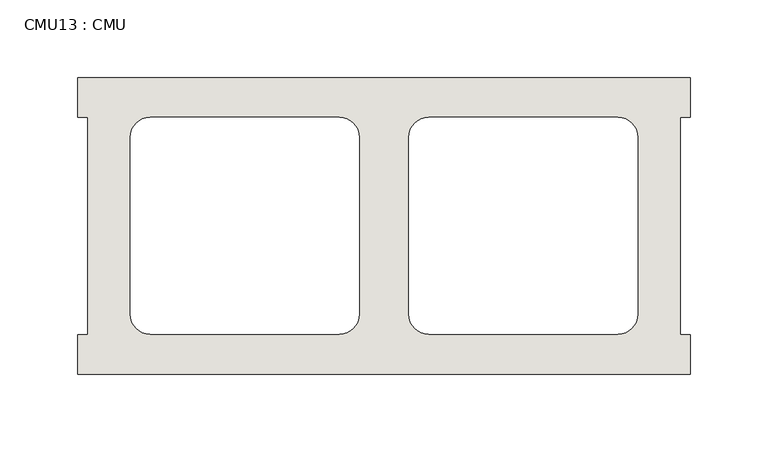
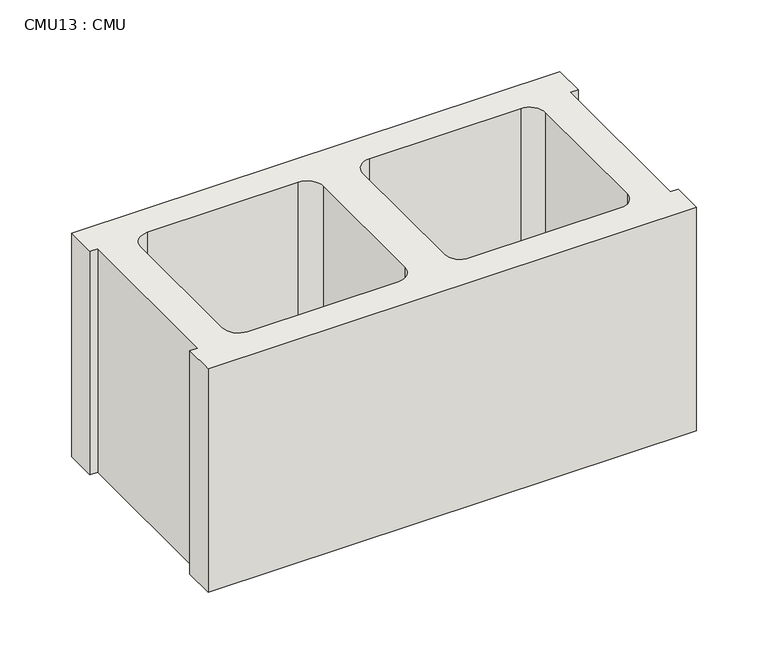
"""IFC4 building model written with IfcOpenShell, lengths in millimetres: wall geometry, CMU13 : CMU."""

from ifc_helpers import new_model, si_unit, point, frame_2d, origin, origin_with_axes, place, context, project, spatial, polyline, circle_curve, trimmed, segment, composite_curve, outline, extrude, source, transform, mapped, element, save


def cmu13_cmu_1fe1b626(model_context):
    return source(origin(), model_context, "Body", "SweptSolid", [
        extrude(outline(polyline([(-1616.5785982, 3347.4652891), (-1222.8785982, 3347.4652891), (-1222.8785982, 3322.0652891), (-1229.2285982, 3322.0652891), (-1229.2285982, 3182.3652891), (-1222.8785982, 3182.3652891), (-1222.8785982, 3156.9652891), (-1616.5785982, 3156.9652891), (-1616.5785982, 3182.3652891), (-1610.2285982, 3182.3652891), (-1610.2285982, 3322.0652891), (-1616.5785982, 3322.0652891), (-1616.5785982, 3347.4652891)]), holes=[composite_curve([segment(polyline([(-1448.4105995, 3322.0652891), (-1570.1272496, 3322.0652891)]), True, "CONTINUOUS"), segment(trimmed(circle_curve(frame_2d((-1570.1272496, 3309.3652891)), 12.7), [point((-1570.1272496, 3322.0652891))], [point((-1582.8272496, 3309.3652891))], True, "CARTESIAN"), True, "CONTINUOUS"), segment(polyline([(-1582.8272496, 3309.3652891), (-1582.8272496, 3195.2994494)]), True, "CONTINUOUS"), segment(trimmed(circle_curve(frame_2d((-1570.1272496, 3195.2994494)), 12.7), [point((-1582.8272496, 3195.2994494))], [point((-1570.1272496, 3182.5994494))], True, "CARTESIAN"), True, "CONTINUOUS"), segment(polyline([(-1570.1272496, 3182.5994494), (-1448.4105995, 3182.5994494)]), True, "CONTINUOUS"), segment(trimmed(circle_curve(frame_2d((-1448.4105995, 3195.2994494)), 12.7), [point((-1448.4105995, 3182.5994494))], [point((-1435.7105995, 3195.2994494))], True, "CARTESIAN"), True, "CONTINUOUS"), segment(polyline([(-1435.7105995, 3195.2994494), (-1435.7105995, 3309.3652891)]), True, "CONTINUOUS"), segment(trimmed(circle_curve(frame_2d((-1448.4105995, 3309.3652891)), 12.7), [point((-1435.7105995, 3309.3652891))], [point((-1448.4105995, 3322.0652891))], True, "CARTESIAN"), True, "CONTINUOUS")], self_intersect=False), composite_curve([segment(trimmed(circle_curve(frame_2d((-1391.0465969, 3309.3652891)), 12.7), [point((-1391.0465969, 3322.0652891))], [point((-1403.7465969, 3309.3652891))], True, "CARTESIAN"), True, "CONTINUOUS"), segment(polyline([(-1403.7465969, 3309.3652891), (-1403.7465969, 3195.2994494)]), True, "CONTINUOUS"), segment(trimmed(circle_curve(frame_2d((-1391.0465969, 3195.2994494)), 12.7), [point((-1403.7465969, 3195.2994494))], [point((-1391.0465969, 3182.5994494))], True, "CARTESIAN"), True, "CONTINUOUS"), segment(polyline([(-1391.0465969, 3182.5994494), (-1269.3299468, 3182.5994494)]), True, "CONTINUOUS"), segment(trimmed(circle_curve(frame_2d((-1269.3299468, 3195.2994494)), 12.7), [point((-1269.3299468, 3182.5994494))], [point((-1256.6299468, 3195.2994494))], True, "CARTESIAN"), True, "CONTINUOUS"), segment(polyline([(-1256.6299468, 3195.2994494), (-1256.6299468, 3309.3652891)]), True, "CONTINUOUS"), segment(trimmed(circle_curve(frame_2d((-1269.3299468, 3309.3652891)), 12.7), [point((-1256.6299468, 3309.3652891))], [point((-1269.3299468, 3322.0652891))], True, "CARTESIAN"), True, "CONTINUOUS"), segment(polyline([(-1269.3299468, 3322.0652891), (-1391.0465969, 3322.0652891)]), True, "CONTINUOUS")], self_intersect=False)]), origin_with_axes(), (0.0, 0.0, 1.0), 190.5),
    ])


if __name__ == "__main__":
    model = new_model("IFC4")
    model_context = context("Model", 3, world=origin())
    ifc_project = project(units=[si_unit("LENGTHUNIT", "METRE", prefix="MILLI")], contexts=[model_context])
    site = spatial("IfcSite", under=ifc_project)
    building = spatial("IfcBuilding", under=site)
    placement = place(None, origin())
    cmu13_cmu_shape = cmu13_cmu_1fe1b626(model_context)
    element("IfcWall", 1, ObjectType="CMU13 : CMU", at=placement, inside=building, context=model_context, shape_type="MappedRepresentation", body=[
        mapped(cmu13_cmu_shape, transform((0.0, 0.0, 0.0), x_axis=(1.0, 0.0, 0.0), y_axis=(0.0, 1.0, 0.0), z_axis=(0.0, 0.0, 1.0))),
    ])
    save(model, "model.ifc")
